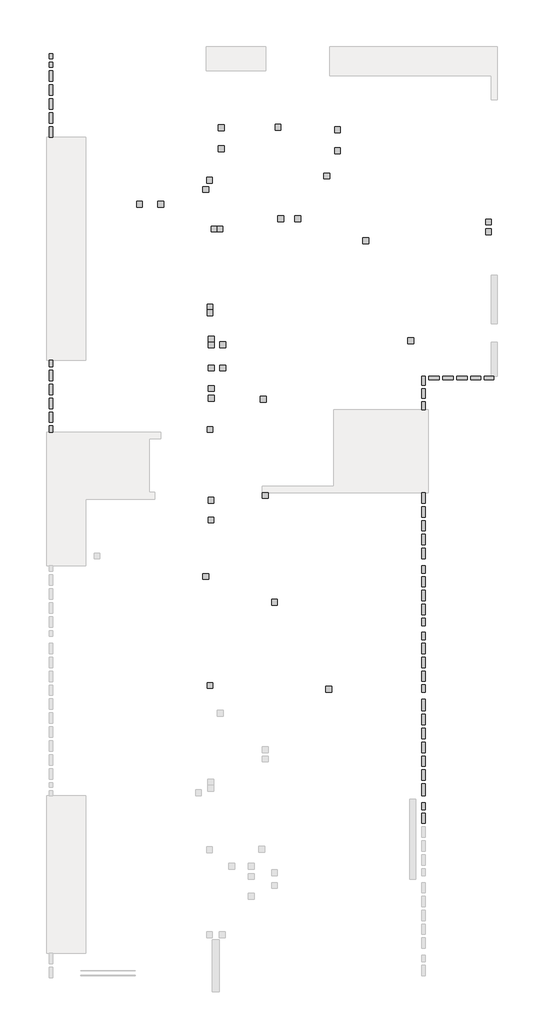
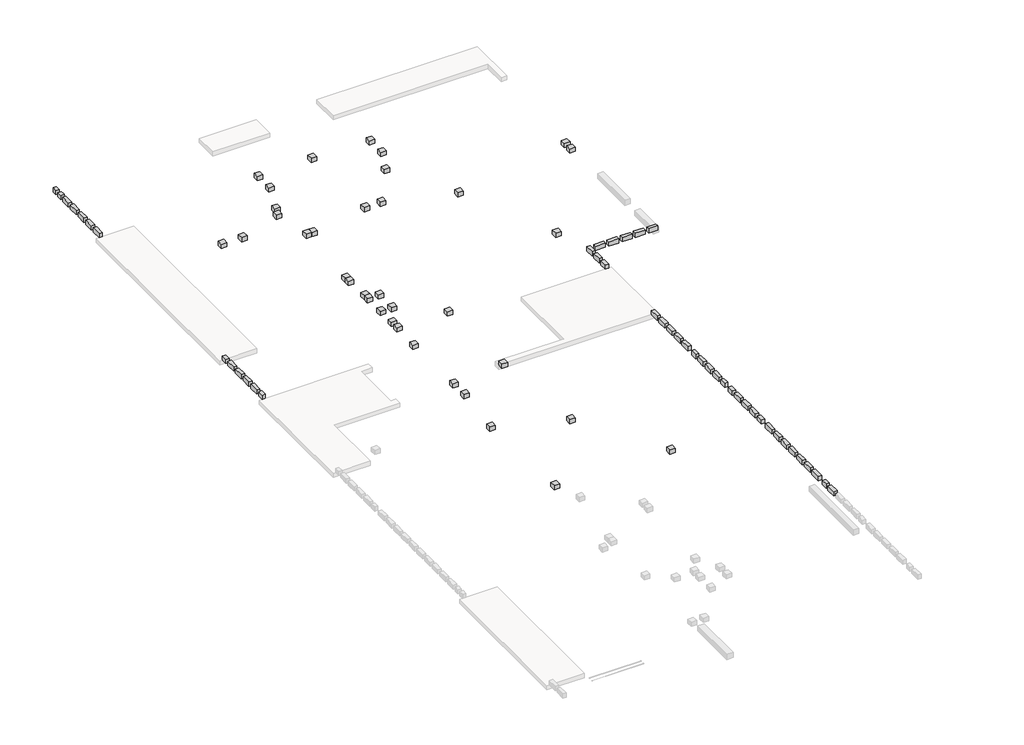
# One storey, part 2 of 2: 81 proxies.
"""IFC4 building model written with IfcOpenShell, lengths in millimetres."""

import ifcopenshell
import ifcopenshell.guid

model = None  # the IFC model being written
_history = None  # IfcOwnerHistory: only IFC2X3 demands one
_inside = {}  # id of a spatial element -> (the spatial element, [elements in it])
_under = {}  # id of a project, library or spatial element -> (it, [spatial elements below it])
_declared = {}  # id of a project -> (the project, [libraries it declares])
_typed = {}  # id of a type object -> (the type object, [elements of that type])
_made_of = {}  # id of a material, layer set ... -> (it, [elements and type objects made of it])


def new_model(schema):
    """Start an empty IFC model of exactly this schema.

    Asked for "IFC4X3", IfcOpenShell would pick the latest addendum, in which some entities
    have other attributes; the version numbers below select the first issue.
    IFC2X3 requires an IfcOwnerHistory on every rooted entity: one is made here for all.
    """
    global model, _history
    if schema == "IFC4X3":
        model = ifcopenshell.file(schema_version=(4, 3, 0, 0))
    else:
        model = ifcopenshell.file(schema=schema)
    _inside.clear()
    _under.clear()
    _declared.clear()
    _typed.clear()
    _made_of.clear()
    _history = None
    if model.schema == "IFC2X3":
        org = make("IfcOrganization", Name="unknown")
        user = make(
            "IfcPersonAndOrganization",
            ThePerson=make("IfcPerson", FamilyName="unknown"),
            TheOrganization=org,
        )
        app = make(
            "IfcApplication",
            ApplicationDeveloper=org,
            Version="unknown",
            ApplicationFullName="unknown",
            ApplicationIdentifier="unknown",
        )
        _history = make(
            "IfcOwnerHistory",
            OwningUser=user,
            OwningApplication=app,
            ChangeAction="ADDED",
            CreationDate=0,
        )
    return model


def make(cls, **values):
    """One entity of the class cls with the attributes given. An attribute that is None is left unset."""
    return model.create_entity(
        cls, **{name: value for name, value in values.items() if value is not None}
    )


def rooted(cls, **values):
    """An entity with a GlobalId (a new one), such as an element, a storey or a relation."""
    return make(cls, GlobalId=ifcopenshell.guid.new(), OwnerHistory=_history, **values)


def si_unit(unit_type, name, prefix=None):
    """IfcSIUnit, for example si_unit("LENGTHUNIT", "METRE", prefix="MILLI")."""
    return make("IfcSIUnit", UnitType=unit_type, Prefix=prefix, Name=name)


def assignment(units):
    """IfcUnitAssignment: the units of a project."""
    return None if units is None else make("IfcUnitAssignment", Units=units)


def point(xyz):
    """IfcCartesianPoint."""
    return None if xyz is None else make("IfcCartesianPoint", Coordinates=xyz)


def direction(xyz):
    """IfcDirection."""
    return None if xyz is None else make("IfcDirection", DirectionRatios=xyz)


def frame(location, z_axis=None, x_axis=None):
    """IfcAxis2Placement3D, a coordinate frame: its origin and axes. An axis left out is left unset."""
    return make(
        "IfcAxis2Placement3D",
        Location=point(location),
        Axis=direction(z_axis),
        RefDirection=direction(x_axis),
    )


def origin():
    """The frame at (0, 0, 0) with its axes left unset."""
    return frame((0.0, 0.0, 0.0))


def place(relative_to, where):
    """IfcLocalPlacement: puts the frame where relative to a parent placement (None: the world)."""
    return make(
        "IfcLocalPlacement", PlacementRelTo=relative_to, RelativePlacement=where
    )


def context(
    kind, dimensions, precision=None, world=None, true_north=None, identifier=None
):
    """IfcGeometricRepresentationContext, for example the 3D "Model" context."""
    return make(
        "IfcGeometricRepresentationContext",
        ContextIdentifier=identifier,
        ContextType=kind,
        CoordinateSpaceDimension=dimensions,
        Precision=precision,
        WorldCoordinateSystem=world,
        TrueNorth=true_north,
    )


def project(units=None, contexts=None):
    """IfcProject with its units and contexts."""
    return rooted(
        "IfcProject",
        Name="project",
        RepresentationContexts=contexts,
        UnitsInContext=assignment(units),
    )


def spatial(cls, under=None, at=None, **own):
    """A site, building, storey or space (cls), placed at a placement, below another one or the project."""
    s = rooted(cls, ObjectPlacement=at, **own)
    if under is not None:
        _under.setdefault(under.id(), (under, []))[1].append(s)
    return s


def polyline(points):
    """IfcPolyline through the points."""
    return make("IfcPolyline", Points=[point(p) for p in points])


def outline(outer, holes=None, kind="AREA"):
    """IfcArbitraryClosedProfileDef: a profile drawn as a closed curve; with holes, ...WithVoids."""
    if holes is None:
        return make("IfcArbitraryClosedProfileDef", ProfileType=kind, OuterCurve=outer)
    return make(
        "IfcArbitraryProfileDefWithVoids",
        ProfileType=kind,
        OuterCurve=outer,
        InnerCurves=holes,
    )


def extrude(swept, where, along, depth):
    """IfcExtrudedAreaSolid: the profile swept, set in the frame where, extruded along a direction by depth."""
    return make(
        "IfcExtrudedAreaSolid",
        SweptArea=swept,
        Position=where,
        ExtrudedDirection=direction(along),
        Depth=depth,
    )


def shape(context_of_items, identifier, shape_type, items):
    """IfcShapeRepresentation: the items that make up one representation, for example the "Body"."""
    return make(
        "IfcShapeRepresentation",
        ContextOfItems=context_of_items,
        RepresentationIdentifier=identifier,
        RepresentationType=shape_type,
        Items=items,
    )


def source(mapping_origin, context_of_items, identifier, shape_type, items):
    """IfcRepresentationMap: a shape defined once, which mapped items show again and again."""
    return make(
        "IfcRepresentationMap",
        MappingOrigin=mapping_origin,
        MappedRepresentation=shape(context_of_items, identifier, shape_type, items),
    )


def transform(
    local_origin,
    x_axis=None,
    y_axis=None,
    z_axis=None,
    scale=None,
    scale2=None,
    scale3=None,
    uniform=True,
):
    """IfcCartesianTransformationOperator3D, or its non-uniform kind. x_axis, y_axis, z_axis: its Axis1, 2, 3."""
    if uniform:
        return make(
            "IfcCartesianTransformationOperator3D",
            Axis1=direction(x_axis),
            Axis2=direction(y_axis),
            LocalOrigin=point(local_origin),
            Scale=scale,
            Axis3=direction(z_axis),
        )
    return make(
        "IfcCartesianTransformationOperator3DnonUniform",
        Axis1=direction(x_axis),
        Axis2=direction(y_axis),
        LocalOrigin=point(local_origin),
        Scale=scale,
        Axis3=direction(z_axis),
        Scale2=scale2,
        Scale3=scale3,
    )


def mapped(mapping_source, mapping_target):
    """IfcMappedItem: shows the shape of a source again, moved by a transform."""
    return make(
        "IfcMappedItem", MappingSource=mapping_source, MappingTarget=mapping_target
    )


def made_of(thing, what):
    """Note that an element or type object is made of a material, layer set ...; save() writes the relation."""
    if what is not None:
        _made_of.setdefault(what.id(), (what, []))[1].append(thing)
    return thing


def element(
    cls,
    number,
    at=None,
    inside=None,
    cuts=None,
    type_object=None,
    material=None,
    context=None,
    identifier="Body",
    shape_type=None,
    held_by="IfcProductDefinitionShape",
    body=None,
    shapes=None,
    **own,
):
    """One element of the class cls, such as IfcWall. Its Tag is "e" and its number.

    at: its placement. inside: the storey or other place that contains it. cuts: it is an
    opening in that element (IfcRelVoidsElement). A single representation is given by context,
    identifier, shape_type and body (its items); several are given by shapes. held_by: the class
    of the entity that holds the representations. save() writes the other relations.
    """
    e = rooted(cls, Tag="e%d" % number, ObjectPlacement=at, **own)
    if body is not None:
        shapes = [shape(context, identifier, shape_type, body)]
    if shapes is not None:
        e.Representation = make(held_by, Representations=shapes)
    if inside is not None:
        _inside.setdefault(inside.id(), (inside, []))[1].append(e)
    if cuts is not None:
        rooted(
            "IfcRelVoidsElement", RelatingBuildingElement=cuts, RelatedOpeningElement=e
        )
    if type_object is not None:
        _typed.setdefault(type_object.id(), (type_object, []))[1].append(e)
    return made_of(e, material)


def aggregate(whole, parts):
    """IfcRelAggregates: a whole, such as a stair, and the parts it consists of."""
    return rooted("IfcRelAggregates", RelatingObject=whole, RelatedObjects=parts)


def save(model, path):
    """Write the relations noted so far, then the file.

    IfcRelAggregates (storeys below a building ...), IfcRelContainedInSpatialStructure (elements
    in a storey), IfcRelDefinesByType, IfcRelAssociatesMaterial and IfcRelDeclares: one each for
    every whole, place, type object, material and project.
    """
    for whole, parts in _under.values():
        aggregate(whole, parts)
    for where, things in _inside.values():
        rooted(
            "IfcRelContainedInSpatialStructure",
            RelatedElements=things,
            RelatingStructure=where,
        )
    for kind, things in _typed.values():
        rooted("IfcRelDefinesByType", RelatedObjects=things, RelatingType=kind)
    for what, things in _made_of.values():
        rooted("IfcRelAssociatesMaterial", RelatedObjects=things, RelatingMaterial=what)
    for by, libraries in _declared.values():
        rooted("IfcRelDeclares", RelatingContext=by, RelatedDefinitions=libraries)
    model.write(path)


def generic_models_b69ed8e5(model_context):
    return source(origin(), model_context, "Body", "SweptSolid", [
        extrude(outline(polyline([(125.0, 125.0), (125.0, -125.0), (-125.0, -125.0), (-125.0, 125.0), (125.0, 125.0)])), frame((0.0, 0.0, -200.0), z_axis=(0.0, 0.0, 1.0), x_axis=(1.0, 0.0, 0.0)), (0.0, 0.0, 1.0), 200.0),
    ])


def generic_models_1a447324(model_context):
    return source(origin(), model_context, "Body", "SweptSolid", [
        extrude(outline(polyline([(225.0, 75.0), (225.0, -75.0), (-225.0, -75.0), (-225.0, 75.0), (225.0, 75.0)])), frame((0.0, 0.0, -200.0), z_axis=(0.0, 0.0, 1.0), x_axis=(1.0, 0.0, 0.0)), (0.0, 0.0, 1.0), 200.0),
    ])


def generic_models_3777ae91(model_context):
    return source(origin(), model_context, "Body", "SweptSolid", [
        extrude(outline(polyline([(200.0, 75.0), (200.0, -75.0), (-200.0, -75.0), (-200.0, 75.0), (200.0, 75.0)])), frame((0.0, 0.0, -200.0), z_axis=(0.0, 0.0, 1.0), x_axis=(1.0, 0.0, 0.0)), (0.0, 0.0, 1.0), 200.0),
    ])


def generic_models_53e0e457(model_context):
    return source(origin(), model_context, "Body", "SweptSolid", [
        extrude(outline(polyline([(157.5, 75.0), (157.5, -75.0), (-157.5, -75.0), (-157.5, 75.0), (157.5, 75.0)])), frame((0.0, 0.0, -200.0), z_axis=(0.0, 0.0, 1.0), x_axis=(1.0, 0.0, 0.0)), (0.0, 0.0, 1.0), 200.0),
    ])


def generic_models_824d6e55(model_context):
    return source(origin(), model_context, "Body", "SweptSolid", [
        extrude(outline(polyline([(155.0, 75.0), (155.0, -75.0), (-155.0, -75.0), (-155.0, 75.0), (155.0, 75.0)])), frame((0.0, 0.0, -200.0), z_axis=(0.0, 0.0, 1.0), x_axis=(1.0, 0.0, 0.0)), (0.0, 0.0, 1.0), 200.0),
    ])


def generic_models_5cc5f64c(model_context):
    return source(origin(), model_context, "Body", "SweptSolid", [
        extrude(outline(polyline([(255.0, 75.0), (255.0, -75.0), (-255.0, -75.0), (-255.0, 75.0), (255.0, 75.0)])), frame((0.0, 0.0, -200.0), z_axis=(0.0, 0.0, 1.0), x_axis=(1.0, 0.0, 0.0)), (0.0, 0.0, 1.0), 200.0),
    ])


def generic_models_36662c5a(model_context):
    return source(origin(), model_context, "Body", "SweptSolid", [
        extrude(outline(polyline([(147.5, 75.0), (147.5, -75.0), (-147.5, -75.0), (-147.5, 75.0), (147.5, 75.0)])), frame((0.0, 0.0, -200.0), z_axis=(0.0, 0.0, 1.0), x_axis=(1.0, 0.0, 0.0)), (0.0, 0.0, 1.0), 200.0),
    ])


def generic_models_cd24996e(model_context):
    return source(origin(), model_context, "Body", "SweptSolid", [
        extrude(outline(polyline([(112.5, 75.0), (112.5, -75.0), (-112.5, -75.0), (-112.5, 75.0), (112.5, 75.0)])), frame((0.0, 0.0, -200.0), z_axis=(0.0, 0.0, 1.0), x_axis=(1.0, 0.0, 0.0)), (0.0, 0.0, 1.0), 200.0),
    ])


def generic_models_5b2f24c3(model_context):
    return source(origin(), model_context, "Body", "SweptSolid", [
        extrude(outline(polyline([(137.5, 75.0), (137.5, -75.0), (-137.5, -75.0), (-137.5, 75.0), (137.5, 75.0)])), frame((0.0, 0.0, -200.0), z_axis=(0.0, 0.0, 1.0), x_axis=(1.0, 0.0, 0.0)), (0.0, 0.0, 1.0), 200.0),
    ])


def generic_models_eb302f1e(model_context):
    return source(origin(), model_context, "Body", "SweptSolid", [
        extrude(outline(polyline([(250.0, 75.0), (250.0, -75.0), (-250.0, -75.0), (-250.0, 75.0), (250.0, 75.0)])), frame((0.0, 0.0, -200.0), z_axis=(0.0, 0.0, 1.0), x_axis=(1.0, 0.0, 0.0)), (0.0, 0.0, 1.0), 200.0),
    ])


def generic_models_fcb153a7(model_context):
    return source(origin(), model_context, "Body", "SweptSolid", [
        extrude(outline(polyline([(175.0, 75.0), (175.0, -75.0), (-175.0, -75.0), (-175.0, 75.0), (175.0, 75.0)])), frame((0.0, 0.0, -200.0), z_axis=(0.0, 0.0, 1.0), x_axis=(1.0, 0.0, 0.0)), (0.0, 0.0, 1.0), 200.0),
    ])


model = new_model("IFC4")

# Units and contexts
model_context = context("Model", 3, world=origin())
ifc_project = project(units=[si_unit("LENGTHUNIT", "METRE", prefix="MILLI")], contexts=[model_context])

# Site, building, storey
site = spatial("IfcSite", under=ifc_project)
building = spatial("IfcBuilding", under=site)
storey = spatial("IfcBuildingStorey", under=building, Elevation=0.0)

# Proxies
placement = place(None, origin())
generic_models_shape = generic_models_b69ed8e5(model_context)
element("IfcBuildingElementProxy", 1, Name="Generic Models", at=placement, inside=storey, context=model_context, shape_type="MappedRepresentation", body=[
    mapped(generic_models_shape, transform((24994.9999997, 56650.0, 0.0), x_axis=(1.0, 0.0, 0.0), y_axis=(0.0, 1.0, 0.0), z_axis=(0.0, 0.0, 1.0))),
])
element("IfcBuildingElementProxy", 2, Name="Generic Models", at=placement, inside=storey, context=model_context, shape_type="MappedRepresentation", body=[
    mapped(generic_models_shape, transform((19875.0, 56815.0, 0.0), x_axis=(1.0, 0.0, 0.0), y_axis=(0.0, 1.0, 0.0), z_axis=(0.0, 0.0, 1.0))),
])
element("IfcBuildingElementProxy", 3, Name="Generic Models", at=placement, inside=storey, context=model_context, shape_type="MappedRepresentation", body=[
    mapped(generic_models_shape, transform((22655.0, 60400.0, 0.0), x_axis=(1.0, 0.0, 0.0), y_axis=(0.0, 1.0, 0.0), z_axis=(0.0, 0.0, 1.0))),
])
element("IfcBuildingElementProxy", 4, Name="Generic Models", at=placement, inside=storey, context=model_context, shape_type="MappedRepresentation", body=[
    mapped(generic_models_shape, transform((19695.0, 61515.0, 0.0), x_axis=(1.0, 0.0, 0.0), y_axis=(0.0, 1.0, 0.0), z_axis=(0.0, 0.0, 1.0))),
])
element("IfcBuildingElementProxy", 5, Name="Generic Models", at=placement, inside=storey, context=model_context, shape_type="MappedRepresentation", body=[
    mapped(generic_models_shape, transform((22250.0, 65000.0, 0.0), x_axis=(1.0, 0.0, 0.0), y_axis=(0.0, 1.0, 0.0), z_axis=(0.0, 0.0, 1.0))),
])
element("IfcBuildingElementProxy", 6, Name="Generic Models", at=placement, inside=storey, context=model_context, shape_type="MappedRepresentation", body=[
    mapped(generic_models_shape, transform((19874.9999997, 67850.0, 0.0), x_axis=(1.0, 0.0, 0.0), y_axis=(0.0, 1.0, 0.0), z_axis=(0.0, 0.0, 1.0))),
])
element("IfcBuildingElementProxy", 7, Name="Generic Models", at=placement, inside=storey, context=model_context, shape_type="MappedRepresentation", body=[
    mapped(generic_models_shape, transform((19924.9999997, 71744.9999999, 0.0), x_axis=(1.0, 0.0, 0.0), y_axis=(0.0, 1.0, 0.0), z_axis=(0.0, 0.0, 1.0))),
])
element("IfcBuildingElementProxy", 8, Name="Generic Models", at=placement, inside=storey, context=model_context, shape_type="MappedRepresentation", body=[
    mapped(generic_models_shape, transform((19870.0, 72880.0, 0.0), x_axis=(1.0, 0.0, 0.0), y_axis=(0.0, 1.0, 0.0), z_axis=(0.0, 0.0, 1.0))),
])
element("IfcBuildingElementProxy", 9, Name="Generic Models", at=placement, inside=storey, context=model_context, shape_type="MappedRepresentation", body=[
    mapped(generic_models_shape, transform((19685.0, 78190.0000001, 0.0), x_axis=(1.0, 0.0, 0.0), y_axis=(0.0, 1.0, 0.0), z_axis=(0.0, 0.0, 1.0))),
])
element("IfcBuildingElementProxy", 10, Name="Generic Models", at=placement, inside=storey, context=model_context, shape_type="MappedRepresentation", body=[
    mapped(generic_models_shape, transform((19850.0, 78589.9999999, 0.0), x_axis=(1.0, 0.0, 0.0), y_axis=(0.0, 1.0, 0.0), z_axis=(0.0, 0.0, 1.0))),
])
element("IfcBuildingElementProxy", 11, Name="Generic Models", at=placement, inside=storey, context=model_context, shape_type="MappedRepresentation", body=[
    mapped(generic_models_shape, transform((24899.9999997, 78774.9999999, 0.0), x_axis=(1.0, 0.0, 0.0), y_axis=(0.0, 1.0, 0.0), z_axis=(0.0, 0.0, 1.0))),
])
element("IfcBuildingElementProxy", 12, Name="Generic Models", at=placement, inside=storey, context=model_context, shape_type="MappedRepresentation", body=[
    mapped(generic_models_shape, transform((20365.0, 80850.0, 0.0), x_axis=(1.0, 0.0, 0.0), y_axis=(0.0, 1.0, 0.0), z_axis=(0.0, 0.0, 1.0))),
])
element("IfcBuildingElementProxy", 13, Name="Generic Models", at=placement, inside=storey, context=model_context, shape_type="MappedRepresentation", body=[
    mapped(generic_models_shape, transform((20365.0, 79950.0, 0.0), x_axis=(1.0, 0.0, 0.0), y_axis=(0.0, 1.0, 0.0), z_axis=(0.0, 0.0, 1.0))),
])
element("IfcBuildingElementProxy", 14, Name="Generic Models", at=placement, inside=storey, context=model_context, shape_type="MappedRepresentation", body=[
    mapped(generic_models_shape, transform((22805.0, 80875.0, 0.0), x_axis=(1.0, 0.0, 0.0), y_axis=(0.0, 1.0, 0.0), z_axis=(0.0, 0.0, 1.0))),
])
element("IfcBuildingElementProxy", 15, Name="Generic Models", at=placement, inside=storey, context=model_context, shape_type="MappedRepresentation", body=[
    mapped(generic_models_shape, transform((25365.0, 80760.0, 0.0), x_axis=(1.0, 0.0, 0.0), y_axis=(0.0, 1.0, 0.0), z_axis=(0.0, 0.0, 1.0))),
])
element("IfcBuildingElementProxy", 16, Name="Generic Models", at=placement, inside=storey, context=model_context, shape_type="MappedRepresentation", body=[
    mapped(generic_models_shape, transform((25365.0, 79860.0, 0.0), x_axis=(1.0, 0.0, 0.0), y_axis=(0.0, 1.0, 0.0), z_axis=(0.0, 0.0, 1.0))),
])
element("IfcBuildingElementProxy", 17, Name="Generic Models", at=placement, inside=storey, context=model_context, shape_type="MappedRepresentation", body=[
    mapped(generic_models_shape, transform((16840.0, 77550.0, 0.0), x_axis=(1.0, 0.0, 0.0), y_axis=(0.0, 1.0, 0.0), z_axis=(0.0, 0.0, 1.0))),
])
element("IfcBuildingElementProxy", 18, Name="Generic Models", at=placement, inside=storey, context=model_context, shape_type="MappedRepresentation", body=[
    mapped(generic_models_shape, transform((17750.0, 77550.0, 0.0), x_axis=(1.0, 0.0, 0.0), y_axis=(0.0, 1.0, 0.0), z_axis=(0.0, 0.0, 1.0))),
])
element("IfcBuildingElementProxy", 19, Name="Generic Models", at=placement, inside=storey, context=model_context, shape_type="MappedRepresentation", body=[
    mapped(generic_models_shape, transform((20050.0, 76485.0, 0.0), x_axis=(1.0, 0.0, 0.0), y_axis=(0.0, 1.0, 0.0), z_axis=(0.0, 0.0, 1.0))),
])
element("IfcBuildingElementProxy", 20, Name="Generic Models", at=placement, inside=storey, context=model_context, shape_type="MappedRepresentation", body=[
    mapped(generic_models_shape, transform((20300.0, 76485.0, 0.0), x_axis=(1.0, 0.0, 0.0), y_axis=(0.0, 1.0, 0.0), z_axis=(0.0, 0.0, 1.0))),
])
element("IfcBuildingElementProxy", 21, Name="Generic Models", at=placement, inside=storey, context=model_context, shape_type="MappedRepresentation", body=[
    mapped(generic_models_shape, transform((31875.0, 76790.0, 0.0), x_axis=(1.0, 0.0, 0.0), y_axis=(0.0, 1.0, 0.0), z_axis=(0.0, 0.0, 1.0))),
])
element("IfcBuildingElementProxy", 22, Name="Generic Models", at=placement, inside=storey, context=model_context, shape_type="MappedRepresentation", body=[
    mapped(generic_models_shape, transform((31875.0, 76370.0, 0.0), x_axis=(1.0, 0.0, 0.0), y_axis=(0.0, 1.0, 0.0), z_axis=(0.0, 0.0, 1.0))),
])
element("IfcBuildingElementProxy", 23, Name="Generic Models", at=placement, inside=storey, context=model_context, shape_type="MappedRepresentation", body=[
    mapped(generic_models_shape, transform((23649.9999997, 76925.0, 0.0), x_axis=(1.0, 0.0, 0.0), y_axis=(0.0, 1.0, 0.0), z_axis=(0.0, 0.0, 1.0))),
])
element("IfcBuildingElementProxy", 24, Name="Generic Models", at=placement, inside=storey, context=model_context, shape_type="MappedRepresentation", body=[
    mapped(generic_models_shape, transform((22919.9999997, 76925.0, 0.0), x_axis=(1.0, 0.0, 0.0), y_axis=(0.0, 1.0, 0.0), z_axis=(0.0, 0.0, 1.0))),
])
element("IfcBuildingElementProxy", 25, Name="Generic Models", at=placement, inside=storey, context=model_context, shape_type="MappedRepresentation", body=[
    mapped(generic_models_shape, transform((26590.0, 75975.0, 0.0), x_axis=(1.0, 0.0, 0.0), y_axis=(0.0, 1.0, 0.0), z_axis=(0.0, 0.0, 1.0))),
])
element("IfcBuildingElementProxy", 26, Name="Generic Models", at=placement, inside=storey, context=model_context, shape_type="MappedRepresentation", body=[
    mapped(generic_models_shape, transform((28525.0, 71675.0, 0.0), x_axis=(1.0, 0.0, 0.0), y_axis=(0.0, 1.0, 0.0), z_axis=(0.0, 0.0, 1.0))),
])
element("IfcBuildingElementProxy", 27, Name="Generic Models", at=placement, inside=storey, context=model_context, shape_type="MappedRepresentation", body=[
    mapped(generic_models_shape, transform((19870.0, 73130.0, 0.0), x_axis=(1.0, 0.0, 0.0), y_axis=(0.0, 1.0, 0.0), z_axis=(0.0, 0.0, 1.0))),
])
element("IfcBuildingElementProxy", 28, Name="Generic Models", at=placement, inside=storey, context=model_context, shape_type="MappedRepresentation", body=[
    mapped(generic_models_shape, transform((19924.9999997, 71494.9999999, 0.0), x_axis=(1.0, 0.0, 0.0), y_axis=(0.0, 1.0, 0.0), z_axis=(0.0, 0.0, 1.0))),
])
element("IfcBuildingElementProxy", 29, Name="Generic Models", at=placement, inside=storey, context=model_context, shape_type="MappedRepresentation", body=[
    mapped(generic_models_shape, transform((20424.9999997, 71494.9999999, 0.0), x_axis=(1.0, 0.0, 0.0), y_axis=(0.0, 1.0, 0.0), z_axis=(0.0, 0.0, 1.0))),
])
element("IfcBuildingElementProxy", 30, Name="Generic Models", at=placement, inside=storey, context=model_context, shape_type="MappedRepresentation", body=[
    mapped(generic_models_shape, transform((19924.9999997, 70494.9999999, 0.0), x_axis=(1.0, 0.0, 0.0), y_axis=(0.0, 1.0, 0.0), z_axis=(0.0, 0.0, 1.0))),
])
element("IfcBuildingElementProxy", 31, Name="Generic Models", at=placement, inside=storey, context=model_context, shape_type="MappedRepresentation", body=[
    mapped(generic_models_shape, transform((20424.9999997, 70494.9999999, 0.0), x_axis=(1.0, 0.0, 0.0), y_axis=(0.0, 1.0, 0.0), z_axis=(0.0, 0.0, 1.0))),
])
element("IfcBuildingElementProxy", 32, Name="Generic Models", at=placement, inside=storey, context=model_context, shape_type="MappedRepresentation", body=[
    mapped(generic_models_shape, transform((19924.9999997, 69614.9999999, 0.0), x_axis=(1.0, 0.0, 0.0), y_axis=(0.0, 1.0, 0.0), z_axis=(0.0, 0.0, 1.0))),
])
element("IfcBuildingElementProxy", 33, Name="Generic Models", at=placement, inside=storey, context=model_context, shape_type="MappedRepresentation", body=[
    mapped(generic_models_shape, transform((19924.9999997, 69194.9999999, 0.0), x_axis=(1.0, 0.0, 0.0), y_axis=(0.0, 1.0, 0.0), z_axis=(0.0, 0.0, 1.0))),
])
element("IfcBuildingElementProxy", 34, Name="Generic Models", at=placement, inside=storey, context=model_context, shape_type="MappedRepresentation", body=[
    mapped(generic_models_shape, transform((22175.0, 69145.0, 0.0), x_axis=(1.0, 0.0, 0.0), y_axis=(0.0, 1.0, 0.0), z_axis=(0.0, 0.0, 1.0))),
])
element("IfcBuildingElementProxy", 35, Name="Generic Models", at=placement, inside=storey, context=model_context, shape_type="MappedRepresentation", body=[
    mapped(generic_models_shape, transform((19915.0, 63944.9999999, 0.0), x_axis=(1.0, 0.0, 0.0), y_axis=(0.0, 1.0, 0.0), z_axis=(0.0, 0.0, 1.0))),
])
element("IfcBuildingElementProxy", 36, Name="Generic Models", at=placement, inside=storey, context=model_context, shape_type="MappedRepresentation", body=[
    mapped(generic_models_shape, transform((19915.0, 64794.9999999, 0.0), x_axis=(1.0, 0.0, 0.0), y_axis=(0.0, 1.0, 0.0), z_axis=(0.0, 0.0, 1.0))),
])
generic_models_2_shape = generic_models_1a447324(model_context)
element("IfcBuildingElementProxy", 37, Name="Generic Models", at=placement, inside=storey, context=model_context, shape_type="MappedRepresentation", body=[
    mapped(generic_models_2_shape, transform((13025.0, 82475.0, 0.0), x_axis=(0.0, -1.0, 0.0), y_axis=(1.0, 0.0, 0.0), z_axis=(0.0, 0.0, 1.0))),
])
element("IfcBuildingElementProxy", 38, Name="Generic Models", at=placement, inside=storey, context=model_context, shape_type="MappedRepresentation", body=[
    mapped(generic_models_2_shape, transform((13025.0, 81875.0, 0.0), x_axis=(0.0, -1.0, 0.0), y_axis=(1.0, 0.0, 0.0), z_axis=(0.0, 0.0, 1.0))),
])
element("IfcBuildingElementProxy", 39, Name="Generic Models", at=placement, inside=storey, context=model_context, shape_type="MappedRepresentation", body=[
    mapped(generic_models_2_shape, transform((13025.0, 81275.0, 0.0), x_axis=(0.0, -1.0, 0.0), y_axis=(1.0, 0.0, 0.0), z_axis=(0.0, 0.0, 1.0))),
])
element("IfcBuildingElementProxy", 40, Name="Generic Models", at=placement, inside=storey, context=model_context, shape_type="MappedRepresentation", body=[
    mapped(generic_models_2_shape, transform((13025.0, 80675.0, 0.0), x_axis=(0.0, -1.0, 0.0), y_axis=(1.0, 0.0, 0.0), z_axis=(0.0, 0.0, 1.0))),
])
element("IfcBuildingElementProxy", 41, Name="Generic Models", at=placement, inside=storey, context=model_context, shape_type="MappedRepresentation", body=[
    mapped(generic_models_2_shape, transform((13025.0, 70175.0, 0.0), x_axis=(0.0, -1.0, 0.0), y_axis=(1.0, 0.0, 0.0), z_axis=(0.0, 0.0, 1.0))),
])
element("IfcBuildingElementProxy", 42, Name="Generic Models", at=placement, inside=storey, context=model_context, shape_type="MappedRepresentation", body=[
    mapped(generic_models_2_shape, transform((13025.0, 69575.0, 0.0), x_axis=(0.0, -1.0, 0.0), y_axis=(1.0, 0.0, 0.0), z_axis=(0.0, 0.0, 1.0))),
])
element("IfcBuildingElementProxy", 43, Name="Generic Models", at=placement, inside=storey, context=model_context, shape_type="MappedRepresentation", body=[
    mapped(generic_models_2_shape, transform((13025.0, 68975.0, 0.0), x_axis=(0.0, -1.0, 0.0), y_axis=(1.0, 0.0, 0.0), z_axis=(0.0, 0.0, 1.0))),
])
element("IfcBuildingElementProxy", 44, Name="Generic Models", at=placement, inside=storey, context=model_context, shape_type="MappedRepresentation", body=[
    mapped(generic_models_2_shape, transform((13025.0, 68375.0, 0.0), x_axis=(0.0, -1.0, 0.0), y_axis=(1.0, 0.0, 0.0), z_axis=(0.0, 0.0, 1.0))),
])
element("IfcBuildingElementProxy", 45, Name="Generic Models", at=placement, inside=storey, context=model_context, shape_type="MappedRepresentation", body=[
    mapped(generic_models_2_shape, transform((29075.0, 51095.0, 0.0), x_axis=(0.0, -1.0, 0.0), y_axis=(1.0, 0.0, 0.0), z_axis=(0.0, 0.0, 1.0))),
])
element("IfcBuildingElementProxy", 46, Name="Generic Models", at=placement, inside=storey, context=model_context, shape_type="MappedRepresentation", body=[
    mapped(generic_models_2_shape, transform((29075.0, 54150.0, 0.0), x_axis=(0.0, -1.0, 0.0), y_axis=(1.0, 0.0, 0.0), z_axis=(0.0, 0.0, 1.0))),
])
element("IfcBuildingElementProxy", 47, Name="Generic Models", at=placement, inside=storey, context=model_context, shape_type="MappedRepresentation", body=[
    mapped(generic_models_2_shape, transform((29075.0, 53550.0, 0.0), x_axis=(0.0, -1.0, 0.0), y_axis=(1.0, 0.0, 0.0), z_axis=(0.0, 0.0, 1.0))),
])
element("IfcBuildingElementProxy", 48, Name="Generic Models", at=placement, inside=storey, context=model_context, shape_type="MappedRepresentation", body=[
    mapped(generic_models_2_shape, transform((29075.0, 52950.0, 0.0), x_axis=(0.0, -1.0, 0.0), y_axis=(1.0, 0.0, 0.0), z_axis=(0.0, 0.0, 1.0))),
])
element("IfcBuildingElementProxy", 49, Name="Generic Models", at=placement, inside=storey, context=model_context, shape_type="MappedRepresentation", body=[
    mapped(generic_models_2_shape, transform((29075.0, 55350.0, 0.0), x_axis=(0.0, -1.0, 0.0), y_axis=(1.0, 0.0, 0.0), z_axis=(0.0, 0.0, 1.0))),
])
element("IfcBuildingElementProxy", 50, Name="Generic Models", at=placement, inside=storey, context=model_context, shape_type="MappedRepresentation", body=[
    mapped(generic_models_2_shape, transform((29075.0, 54750.0, 0.0), x_axis=(0.0, -1.0, 0.0), y_axis=(1.0, 0.0, 0.0), z_axis=(0.0, 0.0, 1.0))),
])
element("IfcBuildingElementProxy", 51, Name="Generic Models", at=placement, inside=storey, context=model_context, shape_type="MappedRepresentation", body=[
    mapped(generic_models_2_shape, transform((29075.0, 57215.0, 0.0), x_axis=(0.0, -1.0, 0.0), y_axis=(1.0, 0.0, 0.0), z_axis=(0.0, 0.0, 1.0))),
])
element("IfcBuildingElementProxy", 52, Name="Generic Models", at=placement, inside=storey, context=model_context, shape_type="MappedRepresentation", body=[
    mapped(generic_models_2_shape, transform((29075.0, 58415.0, 0.0), x_axis=(0.0, -1.0, 0.0), y_axis=(1.0, 0.0, 0.0), z_axis=(0.0, 0.0, 1.0))),
])
element("IfcBuildingElementProxy", 53, Name="Generic Models", at=placement, inside=storey, context=model_context, shape_type="MappedRepresentation", body=[
    mapped(generic_models_2_shape, transform((29075.0, 57815.0, 0.0), x_axis=(0.0, -1.0, 0.0), y_axis=(1.0, 0.0, 0.0), z_axis=(0.0, 0.0, 1.0))),
])
element("IfcBuildingElementProxy", 54, Name="Generic Models", at=placement, inside=storey, context=model_context, shape_type="MappedRepresentation", body=[
    mapped(generic_models_2_shape, transform((29075.0, 60085.0, 0.0), x_axis=(0.0, -1.0, 0.0), y_axis=(1.0, 0.0, 0.0), z_axis=(0.0, 0.0, 1.0))),
])
element("IfcBuildingElementProxy", 55, Name="Generic Models", at=placement, inside=storey, context=model_context, shape_type="MappedRepresentation", body=[
    mapped(generic_models_2_shape, transform((29075.0, 61285.0, 0.0), x_axis=(0.0, -1.0, 0.0), y_axis=(1.0, 0.0, 0.0), z_axis=(0.0, 0.0, 1.0))),
])
element("IfcBuildingElementProxy", 56, Name="Generic Models", at=placement, inside=storey, context=model_context, shape_type="MappedRepresentation", body=[
    mapped(generic_models_2_shape, transform((29075.0, 60685.0, 0.0), x_axis=(0.0, -1.0, 0.0), y_axis=(1.0, 0.0, 0.0), z_axis=(0.0, 0.0, 1.0))),
])
element("IfcBuildingElementProxy", 57, Name="Generic Models", at=placement, inside=storey, context=model_context, shape_type="MappedRepresentation", body=[
    mapped(generic_models_2_shape, transform((29075.0, 64300.0, 0.0), x_axis=(0.0, -1.0, 0.0), y_axis=(1.0, 0.0, 0.0), z_axis=(0.0, 0.0, 1.0))),
])
element("IfcBuildingElementProxy", 58, Name="Generic Models", at=placement, inside=storey, context=model_context, shape_type="MappedRepresentation", body=[
    mapped(generic_models_2_shape, transform((29075.0, 63700.0, 0.0), x_axis=(0.0, -1.0, 0.0), y_axis=(1.0, 0.0, 0.0), z_axis=(0.0, 0.0, 1.0))),
])
element("IfcBuildingElementProxy", 59, Name="Generic Models", at=placement, inside=storey, context=model_context, shape_type="MappedRepresentation", body=[
    mapped(generic_models_2_shape, transform((29075.0, 63100.0, 0.0), x_axis=(0.0, -1.0, 0.0), y_axis=(1.0, 0.0, 0.0), z_axis=(0.0, 0.0, 1.0))),
])
element("IfcBuildingElementProxy", 60, Name="Generic Models", at=placement, inside=storey, context=model_context, shape_type="MappedRepresentation", body=[
    mapped(generic_models_2_shape, transform((29075.0, 62500.0, 0.0), x_axis=(0.0, -1.0, 0.0), y_axis=(1.0, 0.0, 0.0), z_axis=(0.0, 0.0, 1.0))),
])
element("IfcBuildingElementProxy", 61, Name="Generic Models", at=placement, inside=storey, context=model_context, shape_type="MappedRepresentation", body=[
    mapped(generic_models_2_shape, transform((29075.0, 64900.0, 0.0), x_axis=(0.0, -1.0, 0.0), y_axis=(1.0, 0.0, 0.0), z_axis=(0.0, 0.0, 1.0))),
])
element("IfcBuildingElementProxy", 62, Name="Generic Models", at=placement, inside=storey, context=model_context, shape_type="MappedRepresentation", body=[
    mapped(generic_models_2_shape, transform((29525.0, 70075.0, 0.0), x_axis=(-1.0, 0.0, 0.0), y_axis=(0.0, -1.0, 0.0), z_axis=(0.0, 0.0, 1.0))),
])
element("IfcBuildingElementProxy", 63, Name="Generic Models", at=placement, inside=storey, context=model_context, shape_type="MappedRepresentation", body=[
    mapped(generic_models_2_shape, transform((30125.0, 70075.0, 0.0), x_axis=(-1.0, 0.0, 0.0), y_axis=(0.0, -1.0, 0.0), z_axis=(0.0, 0.0, 1.0))),
])
element("IfcBuildingElementProxy", 64, Name="Generic Models", at=placement, inside=storey, context=model_context, shape_type="MappedRepresentation", body=[
    mapped(generic_models_2_shape, transform((30725.0, 70075.0, 0.0), x_axis=(-1.0, 0.0, 0.0), y_axis=(0.0, -1.0, 0.0), z_axis=(0.0, 0.0, 1.0))),
])
element("IfcBuildingElementProxy", 65, Name="Generic Models", at=placement, inside=storey, context=model_context, shape_type="MappedRepresentation", body=[
    mapped(generic_models_2_shape, transform((31325.0, 70075.0, 0.0), x_axis=(-1.0, 0.0, 0.0), y_axis=(0.0, -1.0, 0.0), z_axis=(0.0, 0.0, 1.0))),
])
element("IfcBuildingElementProxy", 66, Name="Generic Models", at=placement, inside=storey, context=model_context, shape_type="MappedRepresentation", body=[
    mapped(generic_models_2_shape, transform((13025.0, 83075.0, 0.0), x_axis=(0.0, -1.0, 0.0), y_axis=(1.0, 0.0, 0.0), z_axis=(0.0, 0.0, 1.0))),
])
generic_models_3_shape = generic_models_3777ae91(model_context)
element("IfcBuildingElementProxy", 67, Name="Generic Models", at=placement, inside=storey, context=model_context, shape_type="MappedRepresentation", body=[
    mapped(generic_models_3_shape, transform((29075.0, 69950.0, 0.0), x_axis=(0.0, -1.0, 0.0), y_axis=(1.0, 0.0, 0.0), z_axis=(0.0, 0.0, 1.0))),
])
element("IfcBuildingElementProxy", 68, Name="Generic Models", at=placement, inside=storey, context=model_context, shape_type="MappedRepresentation", body=[
    mapped(generic_models_3_shape, transform((29075.0, 69400.0, 0.0), x_axis=(0.0, -1.0, 0.0), y_axis=(1.0, 0.0, 0.0), z_axis=(0.0, 0.0, 1.0))),
])
element("IfcBuildingElementProxy", 69, Name="Generic Models", at=placement, inside=storey, context=model_context, shape_type="MappedRepresentation", body=[
    mapped(generic_models_3_shape, transform((31900.0, 70075.0, 0.0), x_axis=(-1.0, 0.0, 0.0), y_axis=(0.0, -1.0, 0.0), z_axis=(0.0, 0.0, 1.0))),
])
generic_models_4_shape = generic_models_53e0e457(model_context)
element("IfcBuildingElementProxy", 70, Name="Generic Models", at=placement, inside=storey, context=model_context, shape_type="MappedRepresentation", body=[
    mapped(generic_models_4_shape, transform((29075.0, 56682.5, 0.0), x_axis=(0.0, -1.0, 0.0), y_axis=(1.0, 0.0, 0.0), z_axis=(0.0, 0.0, 1.0))),
])
element("IfcBuildingElementProxy", 71, Name="Generic Models", at=placement, inside=storey, context=model_context, shape_type="MappedRepresentation", body=[
    mapped(generic_models_4_shape, transform((29075.0, 61817.5, 0.0), x_axis=(0.0, -1.0, 0.0), y_axis=(1.0, 0.0, 0.0), z_axis=(0.0, 0.0, 1.0))),
])
generic_models_5_shape = generic_models_824d6e55(model_context)
element("IfcBuildingElementProxy", 72, Name="Generic Models", at=placement, inside=storey, context=model_context, shape_type="MappedRepresentation", body=[
    mapped(generic_models_5_shape, transform((29075.0, 58945.0, 0.0), x_axis=(0.0, -1.0, 0.0), y_axis=(1.0, 0.0, 0.0), z_axis=(0.0, 0.0, 1.0))),
])
element("IfcBuildingElementProxy", 73, Name="Generic Models", at=placement, inside=storey, context=model_context, shape_type="MappedRepresentation", body=[
    mapped(generic_models_5_shape, transform((29075.0, 59555.0, 0.0), x_axis=(0.0, -1.0, 0.0), y_axis=(1.0, 0.0, 0.0), z_axis=(0.0, 0.0, 1.0))),
])
generic_models_6_shape = generic_models_5cc5f64c(model_context)
element("IfcBuildingElementProxy", 74, Name="Generic Models", at=placement, inside=storey, context=model_context, shape_type="MappedRepresentation", body=[
    mapped(generic_models_6_shape, transform((29075.0, 52320.0, 0.0), x_axis=(0.0, -1.0, 0.0), y_axis=(1.0, 0.0, 0.0), z_axis=(0.0, 0.0, 1.0))),
])
generic_models_7_shape = generic_models_36662c5a(model_context)
element("IfcBuildingElementProxy", 75, Name="Generic Models", at=placement, inside=storey, context=model_context, shape_type="MappedRepresentation", body=[
    mapped(generic_models_7_shape, transform((29075.0, 51617.5, 0.0), x_axis=(0.0, -1.0, 0.0), y_axis=(1.0, 0.0, 0.0), z_axis=(0.0, 0.0, 1.0))),
])
generic_models_8_shape = generic_models_cd24996e(model_context)
element("IfcBuildingElementProxy", 76, Name="Generic Models", at=placement, inside=storey, context=model_context, shape_type="MappedRepresentation", body=[
    mapped(generic_models_8_shape, transform((13025.0, 83562.5, 0.0), x_axis=(0.0, -1.0, 0.0), y_axis=(1.0, 0.0, 0.0), z_axis=(0.0, 0.0, 1.0))),
])
element("IfcBuildingElementProxy", 77, Name="Generic Models", at=placement, inside=storey, context=model_context, shape_type="MappedRepresentation", body=[
    mapped(generic_models_8_shape, transform((13025.0, 83937.5, 0.0), x_axis=(0.0, -1.0, 0.0), y_axis=(1.0, 0.0, 0.0), z_axis=(0.0, 0.0, 1.0))),
])
generic_models_9_shape = generic_models_5b2f24c3(model_context)
element("IfcBuildingElementProxy", 78, Name="Generic Models", at=placement, inside=storey, context=model_context, shape_type="MappedRepresentation", body=[
    mapped(generic_models_9_shape, transform((13025.0, 70687.5, 0.0), x_axis=(0.0, -1.0, 0.0), y_axis=(1.0, 0.0, 0.0), z_axis=(0.0, 0.0, 1.0))),
])
element("IfcBuildingElementProxy", 79, Name="Generic Models", at=placement, inside=storey, context=model_context, shape_type="MappedRepresentation", body=[
    mapped(generic_models_9_shape, transform((13025.0, 67862.5, 0.0), x_axis=(0.0, -1.0, 0.0), y_axis=(1.0, 0.0, 0.0), z_axis=(0.0, 0.0, 1.0))),
])
generic_models_10_shape = generic_models_eb302f1e(model_context)
element("IfcBuildingElementProxy", 80, Name="Generic Models", at=placement, inside=storey, context=model_context, shape_type="MappedRepresentation", body=[
    mapped(generic_models_10_shape, transform((29075.0, 55975.0, 0.0), x_axis=(0.0, -1.0, 0.0), y_axis=(1.0, 0.0, 0.0), z_axis=(0.0, 0.0, 1.0))),
])
generic_models_11_shape = generic_models_fcb153a7(model_context)
element("IfcBuildingElementProxy", 81, Name="Generic Models", at=placement, inside=storey, context=model_context, shape_type="MappedRepresentation", body=[
    mapped(generic_models_11_shape, transform((29075.0, 68875.0, 0.0), x_axis=(0.0, -1.0, 0.0), y_axis=(1.0, 0.0, 0.0), z_axis=(0.0, 0.0, 1.0))),
])

save(model, "model.ifc")
